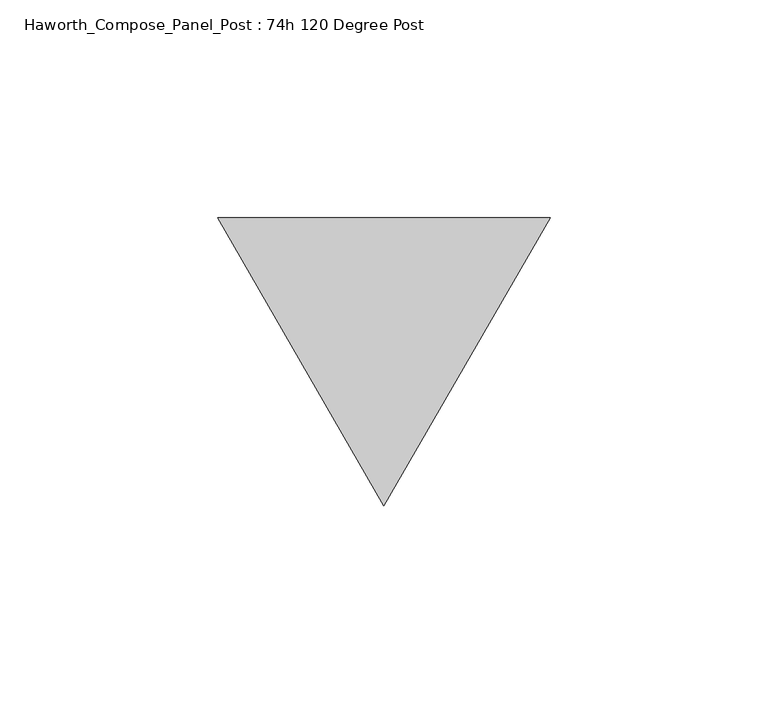
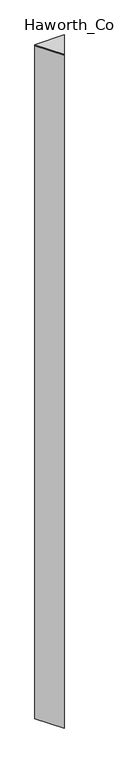
"""IFC4 building model written with IfcOpenShell, lengths in millimetres: furniture geometry, Haworth_Compose_Panel_Post : 74h 120 Degree Post."""

from ifc_helpers import new_model, si_unit, frame, origin, place, context, project, spatial, polyline, outline, extrude, source, transform, mapped, element, save


def haworth_compose_panel_post_74h_120_degree_post_4ef8fb1b(model_context):
    return source(origin(), model_context, "Body", "SweptSolid", [
        extrude(outline(polyline([(76.2, 32.9955679), (38.1, -32.9955679), (0.0, 32.9955679), (76.2, 32.9955679)])), frame((0.0, 0.0, 1873.25), z_axis=(0.0, 0.0, 1.0), x_axis=(1.0, 0.0, 0.0)), (0.0, 0.0, 1.0), 3.175),
        extrude(outline(polyline([(76.2, 32.9955679), (38.1, -32.9955679), (0.0, 32.9955679), (76.2, 32.9955679)])), frame((0.0, 0.0, 12.7), z_axis=(0.0, 0.0, 1.0), x_axis=(1.0, 0.0, 0.0)), (0.0, 0.0, 1.0), 1860.55),
    ])


if __name__ == "__main__":
    model = new_model("IFC4")
    model_context = context("Model", 3, world=origin())
    ifc_project = project(units=[si_unit("LENGTHUNIT", "METRE", prefix="MILLI")], contexts=[model_context])
    site = spatial("IfcSite", under=ifc_project)
    building = spatial("IfcBuilding", under=site)
    placement = place(None, origin())
    haworth_compose_panel_post_74h_120_degree_post_shape = haworth_compose_panel_post_74h_120_degree_post_4ef8fb1b(model_context)
    element("IfcFurniture", 1, ObjectType="Haworth_Compose_Panel_Post : 74h 120 Degree Post", at=placement, inside=building, context=model_context, shape_type="MappedRepresentation", body=[
        mapped(haworth_compose_panel_post_74h_120_degree_post_shape, transform((0.0, 0.0, 0.0), x_axis=(1.0, 0.0, 0.0), y_axis=(0.0, 1.0, 0.0), z_axis=(0.0, 0.0, 1.0))),
    ])
    save(model, "model.ifc")
